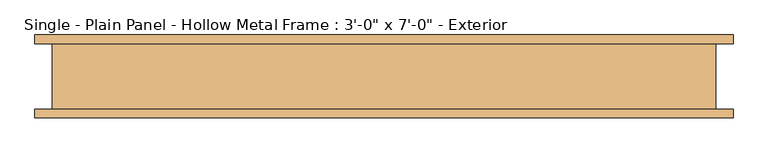
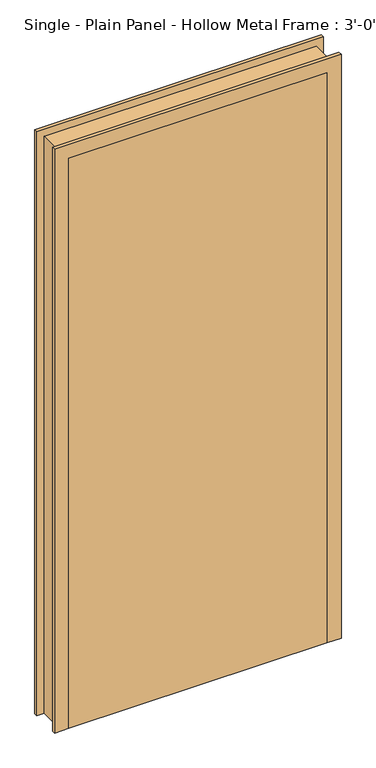
"""IFC4 building model written with IfcOpenShell, lengths in millimetres: door geometry."""

from ifc_helpers import new_model, si_unit, origin, origin_with_axes, place, context, project, spatial, polyline, outline, extrude, faceted_brep, source, transform, mapped, element, save


def door_55382619(model_context):
    return source(origin(), model_context, "Body", "SolidModel", [
        extrude(outline(polyline([(457.2, -15.875), (457.2, -60.325), (-457.2, -60.325), (-457.2, -15.875), (457.2, -15.875)])), origin_with_axes(), (0.0, 0.0, 1.0), 2133.6),
        faceted_brep([(508.0, 47.625, 0.0), (482.6, 47.625, 0.0), (482.6, -47.625, 0.0), (508.0, -47.625, 0.0), (508.0, -60.325, 0.0), (457.2, -60.325, 0.0), (457.2, -15.875, 0.0), (441.325, -15.875, 0.0), (441.325, 34.925, 0.0), (457.2, 34.925, 0.0), (457.2, 60.325, 0.0), (508.0, 60.325, 0.0), (508.0, 60.325, 2184.4), (508.0, 47.625, 2184.4), (457.2, 60.325, 2133.6), (-457.2, 60.325, 2133.6), (-457.2, 60.325, 0.0), (-508.0, 60.325, 0.0), (-508.0, 60.325, 2184.4), (457.2, 34.925, 2133.6), (441.325, 34.925, 2117.725), (-441.325, 34.925, 2117.725), (-441.325, 34.925, 0.0), (-457.2, 34.925, 0.0), (-457.2, 34.925, 2133.6), (441.325, -15.875, 2117.725), (457.2, -15.875, 2133.6), (-457.2, -15.875, 2133.6), (-457.2, -15.875, 0.0), (-441.325, -15.875, 0.0), (-441.325, -15.875, 2117.725), (457.2, -60.325, 2133.6), (508.0, -60.325, 2184.4), (-508.0, -60.325, 2184.4), (-508.0, -60.325, 0.0), (-457.2, -60.325, 0.0), (-457.2, -60.325, 2133.6), (508.0, -47.625, 2184.4), (482.6, -47.625, 2159.0), (-482.6, -47.625, 2159.0), (-482.6, -47.625, 0.0), (-508.0, -47.625, 0.0), (-508.0, -47.625, 2184.4), (482.6, 47.625, 2159.0), (-508.0, 47.625, 2184.4), (-508.0, 47.625, 0.0), (-482.6, 47.625, 0.0), (-482.6, 47.625, 2159.0)], [[[0, 1, 2, 3, 4, 5, 6, 7, 8, 9, 10, 11]], [[11, 12, 13, 0]], [[10, 14, 15, 16, 17, 18, 12, 11]], [[9, 19, 14, 10]], [[8, 20, 21, 22, 23, 24, 19, 9]], [[7, 25, 20, 8]], [[6, 26, 27, 28, 29, 30, 25, 7]], [[5, 31, 26, 6]], [[4, 32, 33, 34, 35, 36, 31, 5]], [[3, 37, 32, 4]], [[2, 38, 39, 40, 41, 42, 37, 3]], [[1, 43, 38, 2]], [[0, 13, 44, 45, 46, 47, 43, 1]], [[18, 17, 45, 44]], [[45, 17, 16, 23, 22, 29, 28, 35, 34, 41, 40, 46]], [[24, 23, 16, 15]], [[30, 29, 22, 21]], [[36, 35, 28, 27]], [[42, 41, 34, 33]], [[47, 46, 40, 39]], [[12, 18, 44, 13]], [[19, 24, 15, 14]], [[25, 30, 21, 20]], [[31, 36, 27, 26]], [[37, 42, 33, 32]], [[43, 47, 39, 38]]]),
    ])


if __name__ == "__main__":
    model = new_model("IFC4")
    model_context = context("Model", 3, world=origin())
    ifc_project = project(units=[si_unit("LENGTHUNIT", "METRE", prefix="MILLI")], contexts=[model_context])
    site = spatial("IfcSite", under=ifc_project)
    building = spatial("IfcBuilding", under=site)
    placement = place(None, origin())
    door_shape = door_55382619(model_context)
    element("IfcDoor", 1, ObjectType="Single - Plain Panel - Hollow Metal Frame : 3'-0\" x 7'-0\" - Exterior", at=placement, inside=building, context=model_context, shape_type="MappedRepresentation", body=[
        mapped(door_shape, transform((0.0, 0.0, 0.0), x_axis=(1.0, 0.0, 0.0), y_axis=(0.0, 1.0, 0.0), z_axis=(0.0, 0.0, 1.0))),
    ])
    save(model, "model.ifc")
